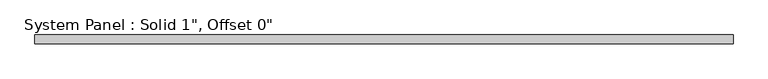
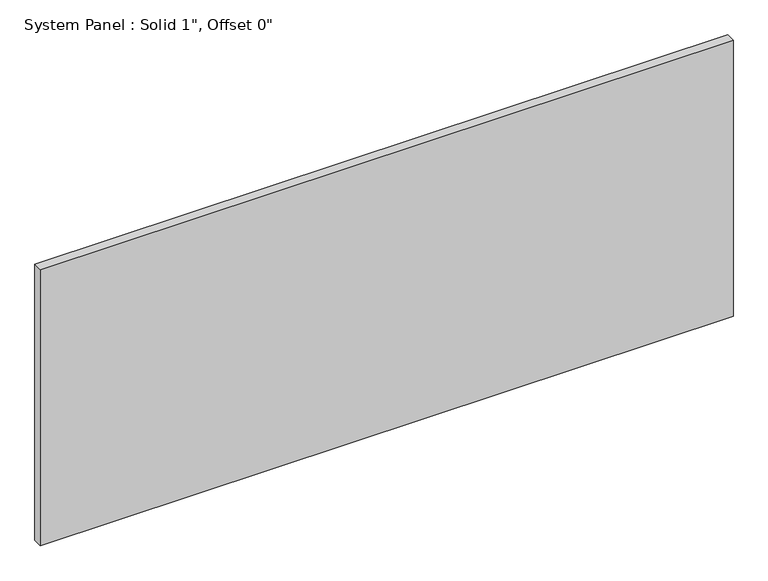
"""IFC4 building model written with IfcOpenShell, lengths in millimetres: plate geometry."""

from ifc_helpers import new_model, si_unit, origin, origin_with_axes, place, context, project, spatial, polyline, outline, extrude, source, transform, mapped, element, save


def plate_c17ad813(model_context):
    return source(origin(), model_context, "Body", "SweptSolid", [
        extrude(outline(polyline([(975.8564913, -12.7), (-975.8564913, -12.7), (-975.8564913, 12.7), (975.8564913, 12.7), (975.8564913, -12.7)])), origin_with_axes(), (0.0, 0.0, 1.0), 822.0223784),
    ])


if __name__ == "__main__":
    model = new_model("IFC4")
    model_context = context("Model", 3, world=origin())
    ifc_project = project(units=[si_unit("LENGTHUNIT", "METRE", prefix="MILLI")], contexts=[model_context])
    site = spatial("IfcSite", under=ifc_project)
    building = spatial("IfcBuilding", under=site)
    placement = place(None, origin())
    plate_shape = plate_c17ad813(model_context)
    element("IfcPlate", 1, ObjectType="System Panel : Solid 1\", Offset 0\"", at=placement, inside=building, context=model_context, shape_type="MappedRepresentation", body=[
        mapped(plate_shape, transform((0.0, 0.0, 0.0), x_axis=(1.0, 0.0, 0.0), y_axis=(0.0, 1.0, 0.0), z_axis=(0.0, 0.0, 1.0))),
    ])
    save(model, "model.ifc")
